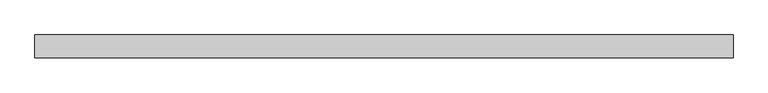
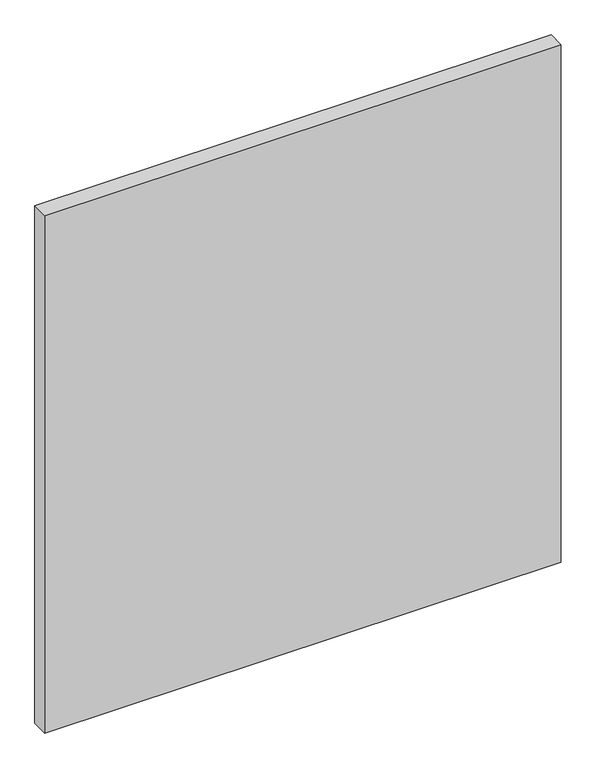
"""IFC4 building model written with IfcOpenShell, lengths in millimetres: plate geometry."""

import ifcopenshell
import ifcopenshell.guid

model = None  # the IFC model being written
_history = None  # IfcOwnerHistory: only IFC2X3 demands one
_inside = {}  # id of a spatial element -> (the spatial element, [elements in it])
_under = {}  # id of a project, library or spatial element -> (it, [spatial elements below it])
_declared = {}  # id of a project -> (the project, [libraries it declares])
_typed = {}  # id of a type object -> (the type object, [elements of that type])
_made_of = {}  # id of a material, layer set ... -> (it, [elements and type objects made of it])


def new_model(schema):
    """Start an empty IFC model of exactly this schema.

    Asked for "IFC4X3", IfcOpenShell would pick the latest addendum, in which some entities
    have other attributes; the version numbers below select the first issue.
    IFC2X3 requires an IfcOwnerHistory on every rooted entity: one is made here for all.
    """
    global model, _history
    if schema == "IFC4X3":
        model = ifcopenshell.file(schema_version=(4, 3, 0, 0))
    else:
        model = ifcopenshell.file(schema=schema)
    _inside.clear()
    _under.clear()
    _declared.clear()
    _typed.clear()
    _made_of.clear()
    _history = None
    if model.schema == "IFC2X3":
        org = make("IfcOrganization", Name="unknown")
        user = make(
            "IfcPersonAndOrganization",
            ThePerson=make("IfcPerson", FamilyName="unknown"),
            TheOrganization=org,
        )
        app = make(
            "IfcApplication",
            ApplicationDeveloper=org,
            Version="unknown",
            ApplicationFullName="unknown",
            ApplicationIdentifier="unknown",
        )
        _history = make(
            "IfcOwnerHistory",
            OwningUser=user,
            OwningApplication=app,
            ChangeAction="ADDED",
            CreationDate=0,
        )
    return model


def make(cls, **values):
    """One entity of the class cls with the attributes given. An attribute that is None is left unset."""
    return model.create_entity(
        cls, **{name: value for name, value in values.items() if value is not None}
    )


def rooted(cls, **values):
    """An entity with a GlobalId (a new one), such as an element, a storey or a relation."""
    return make(cls, GlobalId=ifcopenshell.guid.new(), OwnerHistory=_history, **values)


def si_unit(unit_type, name, prefix=None):
    """IfcSIUnit, for example si_unit("LENGTHUNIT", "METRE", prefix="MILLI")."""
    return make("IfcSIUnit", UnitType=unit_type, Prefix=prefix, Name=name)


def assignment(units):
    """IfcUnitAssignment: the units of a project."""
    return None if units is None else make("IfcUnitAssignment", Units=units)


def point(xyz):
    """IfcCartesianPoint."""
    return None if xyz is None else make("IfcCartesianPoint", Coordinates=xyz)


def direction(xyz):
    """IfcDirection."""
    return None if xyz is None else make("IfcDirection", DirectionRatios=xyz)


def frame(location, z_axis=None, x_axis=None):
    """IfcAxis2Placement3D, a coordinate frame: its origin and axes. An axis left out is left unset."""
    return make(
        "IfcAxis2Placement3D",
        Location=point(location),
        Axis=direction(z_axis),
        RefDirection=direction(x_axis),
    )


def origin():
    """The frame at (0, 0, 0) with its axes left unset."""
    return frame((0.0, 0.0, 0.0))


def origin_with_axes():
    """The frame at (0, 0, 0) with the z axis (0, 0, 1) and the x axis (1, 0, 0) written out."""
    return frame((0.0, 0.0, 0.0), z_axis=(0.0, 0.0, 1.0), x_axis=(1.0, 0.0, 0.0))


def place(relative_to, where):
    """IfcLocalPlacement: puts the frame where relative to a parent placement (None: the world)."""
    return make(
        "IfcLocalPlacement", PlacementRelTo=relative_to, RelativePlacement=where
    )


def context(
    kind, dimensions, precision=None, world=None, true_north=None, identifier=None
):
    """IfcGeometricRepresentationContext, for example the 3D "Model" context."""
    return make(
        "IfcGeometricRepresentationContext",
        ContextIdentifier=identifier,
        ContextType=kind,
        CoordinateSpaceDimension=dimensions,
        Precision=precision,
        WorldCoordinateSystem=world,
        TrueNorth=true_north,
    )


def project(units=None, contexts=None):
    """IfcProject with its units and contexts."""
    return rooted(
        "IfcProject",
        Name="project",
        RepresentationContexts=contexts,
        UnitsInContext=assignment(units),
    )


def spatial(cls, under=None, at=None, **own):
    """A site, building, storey or space (cls), placed at a placement, below another one or the project."""
    s = rooted(cls, ObjectPlacement=at, **own)
    if under is not None:
        _under.setdefault(under.id(), (under, []))[1].append(s)
    return s


def polyline(points):
    """IfcPolyline through the points."""
    return make("IfcPolyline", Points=[point(p) for p in points])


def outline(outer, holes=None, kind="AREA"):
    """IfcArbitraryClosedProfileDef: a profile drawn as a closed curve; with holes, ...WithVoids."""
    if holes is None:
        return make("IfcArbitraryClosedProfileDef", ProfileType=kind, OuterCurve=outer)
    return make(
        "IfcArbitraryProfileDefWithVoids",
        ProfileType=kind,
        OuterCurve=outer,
        InnerCurves=holes,
    )


def extrude(swept, where, along, depth):
    """IfcExtrudedAreaSolid: the profile swept, set in the frame where, extruded along a direction by depth."""
    return make(
        "IfcExtrudedAreaSolid",
        SweptArea=swept,
        Position=where,
        ExtrudedDirection=direction(along),
        Depth=depth,
    )


def shape(context_of_items, identifier, shape_type, items):
    """IfcShapeRepresentation: the items that make up one representation, for example the "Body"."""
    return make(
        "IfcShapeRepresentation",
        ContextOfItems=context_of_items,
        RepresentationIdentifier=identifier,
        RepresentationType=shape_type,
        Items=items,
    )


def source(mapping_origin, context_of_items, identifier, shape_type, items):
    """IfcRepresentationMap: a shape defined once, which mapped items show again and again."""
    return make(
        "IfcRepresentationMap",
        MappingOrigin=mapping_origin,
        MappedRepresentation=shape(context_of_items, identifier, shape_type, items),
    )


def transform(
    local_origin,
    x_axis=None,
    y_axis=None,
    z_axis=None,
    scale=None,
    scale2=None,
    scale3=None,
    uniform=True,
):
    """IfcCartesianTransformationOperator3D, or its non-uniform kind. x_axis, y_axis, z_axis: its Axis1, 2, 3."""
    if uniform:
        return make(
            "IfcCartesianTransformationOperator3D",
            Axis1=direction(x_axis),
            Axis2=direction(y_axis),
            LocalOrigin=point(local_origin),
            Scale=scale,
            Axis3=direction(z_axis),
        )
    return make(
        "IfcCartesianTransformationOperator3DnonUniform",
        Axis1=direction(x_axis),
        Axis2=direction(y_axis),
        LocalOrigin=point(local_origin),
        Scale=scale,
        Axis3=direction(z_axis),
        Scale2=scale2,
        Scale3=scale3,
    )


def mapped(mapping_source, mapping_target):
    """IfcMappedItem: shows the shape of a source again, moved by a transform."""
    return make(
        "IfcMappedItem", MappingSource=mapping_source, MappingTarget=mapping_target
    )


def made_of(thing, what):
    """Note that an element or type object is made of a material, layer set ...; save() writes the relation."""
    if what is not None:
        _made_of.setdefault(what.id(), (what, []))[1].append(thing)
    return thing


def element(
    cls,
    number,
    at=None,
    inside=None,
    cuts=None,
    type_object=None,
    material=None,
    context=None,
    identifier="Body",
    shape_type=None,
    held_by="IfcProductDefinitionShape",
    body=None,
    shapes=None,
    **own,
):
    """One element of the class cls, such as IfcWall. Its Tag is "e" and its number.

    at: its placement. inside: the storey or other place that contains it. cuts: it is an
    opening in that element (IfcRelVoidsElement). A single representation is given by context,
    identifier, shape_type and body (its items); several are given by shapes. held_by: the class
    of the entity that holds the representations. save() writes the other relations.
    """
    e = rooted(cls, Tag="e%d" % number, ObjectPlacement=at, **own)
    if body is not None:
        shapes = [shape(context, identifier, shape_type, body)]
    if shapes is not None:
        e.Representation = make(held_by, Representations=shapes)
    if inside is not None:
        _inside.setdefault(inside.id(), (inside, []))[1].append(e)
    if cuts is not None:
        rooted(
            "IfcRelVoidsElement", RelatingBuildingElement=cuts, RelatedOpeningElement=e
        )
    if type_object is not None:
        _typed.setdefault(type_object.id(), (type_object, []))[1].append(e)
    return made_of(e, material)


def aggregate(whole, parts):
    """IfcRelAggregates: a whole, such as a stair, and the parts it consists of."""
    return rooted("IfcRelAggregates", RelatingObject=whole, RelatedObjects=parts)


def save(model, path):
    """Write the relations noted so far, then the file.

    IfcRelAggregates (storeys below a building ...), IfcRelContainedInSpatialStructure (elements
    in a storey), IfcRelDefinesByType, IfcRelAssociatesMaterial and IfcRelDeclares: one each for
    every whole, place, type object, material and project.
    """
    for whole, parts in _under.values():
        aggregate(whole, parts)
    for where, things in _inside.values():
        rooted(
            "IfcRelContainedInSpatialStructure",
            RelatedElements=things,
            RelatingStructure=where,
        )
    for kind, things in _typed.values():
        rooted("IfcRelDefinesByType", RelatedObjects=things, RelatingType=kind)
    for what, things in _made_of.values():
        rooted("IfcRelAssociatesMaterial", RelatedObjects=things, RelatingMaterial=what)
    for by, libraries in _declared.values():
        rooted("IfcRelDeclares", RelatingContext=by, RelatedDefinitions=libraries)
    model.write(path)


def plate_67128be4(model_context):
    return source(origin(), model_context, "Body", "SweptSolid", [
        extrude(outline(polyline([(540.0625, -17.5), (-540.0625, -17.5), (-540.0625, 17.5), (540.0625, 17.5), (540.0625, -17.5)])), origin_with_axes(), (0.0, 0.0, 1.0), 1143.8125),
    ])


if __name__ == "__main__":
    model = new_model("IFC4")
    model_context = context("Model", 3, world=origin())
    ifc_project = project(units=[si_unit("LENGTHUNIT", "METRE", prefix="MILLI")], contexts=[model_context])
    site = spatial("IfcSite", under=ifc_project)
    building = spatial("IfcBuilding", under=site)
    placement = place(None, origin())
    plate_shape = plate_67128be4(model_context)
    element("IfcPlate", 1, at=placement, inside=building, context=model_context, shape_type="MappedRepresentation", body=[
        mapped(plate_shape, transform((0.0, 0.0, 0.0), x_axis=(1.0, 0.0, 0.0), y_axis=(0.0, 1.0, 0.0), z_axis=(0.0, 0.0, 1.0))),
    ])
    save(model, "model.ifc")
